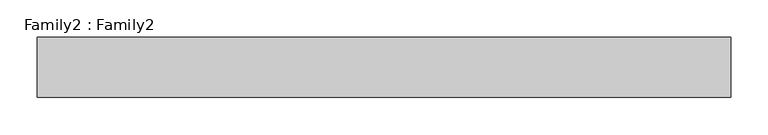
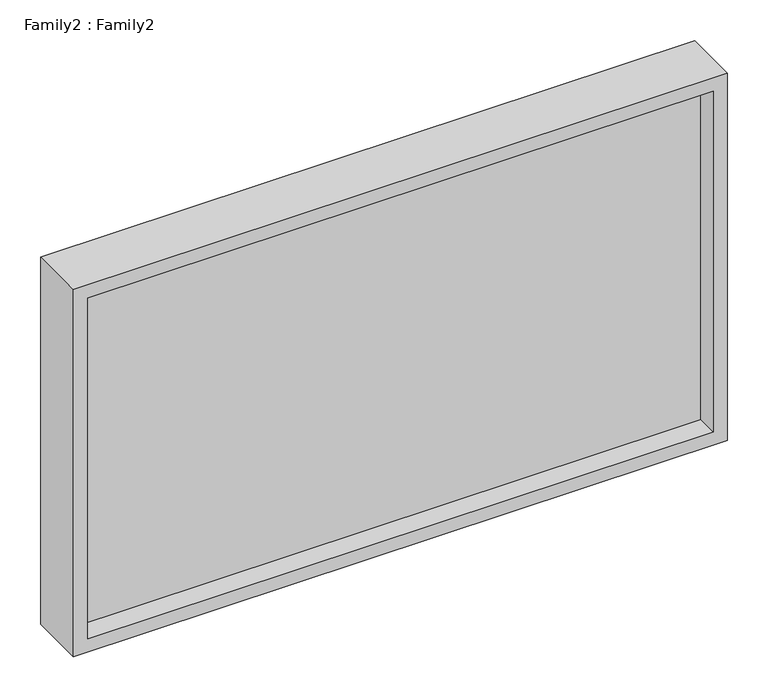
"""IFC4 building model written with IfcOpenShell, lengths in millimetres: plate geometry, Family2 : Family2."""

from ifc_helpers import new_model, si_unit, frame, origin, place, context, project, spatial, polyline, outline, extrude, source, transform, mapped, element, save


def family2_family2_f26e2f7e(model_context):
    return source(origin(), model_context, "Body", "SweptSolid", [
        extrude(outline(polyline([(550.0, -462.5), (0.0, -462.5), (0.0, 462.5), (550.0, 462.5), (550.0, -462.5)]), holes=[polyline([(20.0, -442.5), (530.0, -442.5), (530.0, 442.5), (20.0, 442.5), (20.0, -442.5)])]), frame((0.0, -40.0, 0.0), z_axis=(0.0, 1.0, 0.0), x_axis=(0.0, 0.0, 1.0)), (0.0, 0.0, 1.0), 80.0),
        extrude(outline(polyline([(442.5, -10.0), (-442.5, -10.0), (-442.5, 10.0), (442.5, 10.0), (442.5, -10.0)])), frame((0.0, 0.0, 20.0), z_axis=(0.0, 0.0, 1.0), x_axis=(1.0, 0.0, 0.0)), (0.0, 0.0, 1.0), 510.0),
    ])


if __name__ == "__main__":
    model = new_model("IFC4")
    model_context = context("Model", 3, world=origin())
    ifc_project = project(units=[si_unit("LENGTHUNIT", "METRE", prefix="MILLI")], contexts=[model_context])
    site = spatial("IfcSite", under=ifc_project)
    building = spatial("IfcBuilding", under=site)
    placement = place(None, origin())
    family2_family2_shape = family2_family2_f26e2f7e(model_context)
    element("IfcPlate", 1, ObjectType="Family2 : Family2", at=placement, inside=building, context=model_context, shape_type="MappedRepresentation", body=[
        mapped(family2_family2_shape, transform((0.0, 0.0, 0.0), x_axis=(1.0, 0.0, 0.0), y_axis=(0.0, 1.0, 0.0), z_axis=(0.0, 0.0, 1.0))),
    ])
    save(model, "model.ifc")
